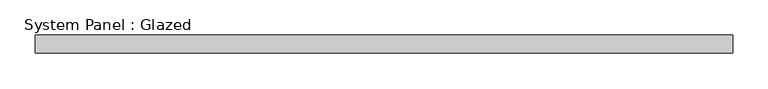
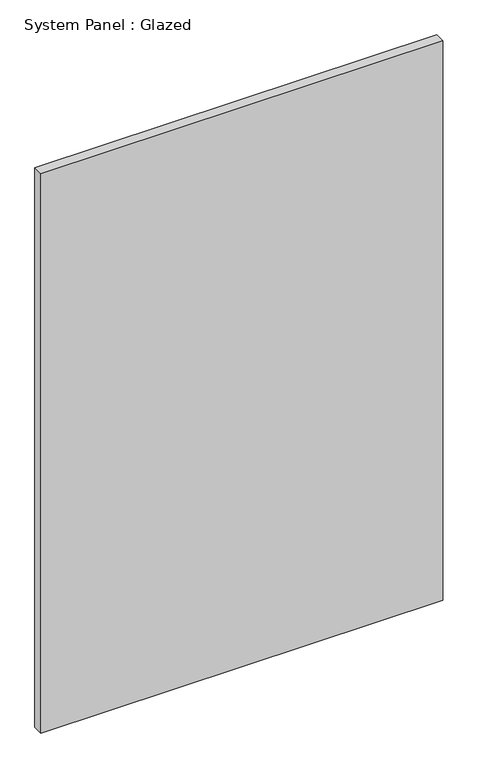
"""IFC4 building model written with IfcOpenShell, lengths in millimetres: plate geometry, System Panel : Glazed."""

import ifcopenshell
import ifcopenshell.guid

model = None  # the IFC model being written
_history = None  # IfcOwnerHistory: only IFC2X3 demands one
_inside = {}  # id of a spatial element -> (the spatial element, [elements in it])
_under = {}  # id of a project, library or spatial element -> (it, [spatial elements below it])
_declared = {}  # id of a project -> (the project, [libraries it declares])
_typed = {}  # id of a type object -> (the type object, [elements of that type])
_made_of = {}  # id of a material, layer set ... -> (it, [elements and type objects made of it])


def new_model(schema):
    """Start an empty IFC model of exactly this schema.

    Asked for "IFC4X3", IfcOpenShell would pick the latest addendum, in which some entities
    have other attributes; the version numbers below select the first issue.
    IFC2X3 requires an IfcOwnerHistory on every rooted entity: one is made here for all.
    """
    global model, _history
    if schema == "IFC4X3":
        model = ifcopenshell.file(schema_version=(4, 3, 0, 0))
    else:
        model = ifcopenshell.file(schema=schema)
    _inside.clear()
    _under.clear()
    _declared.clear()
    _typed.clear()
    _made_of.clear()
    _history = None
    if model.schema == "IFC2X3":
        org = make("IfcOrganization", Name="unknown")
        user = make(
            "IfcPersonAndOrganization",
            ThePerson=make("IfcPerson", FamilyName="unknown"),
            TheOrganization=org,
        )
        app = make(
            "IfcApplication",
            ApplicationDeveloper=org,
            Version="unknown",
            ApplicationFullName="unknown",
            ApplicationIdentifier="unknown",
        )
        _history = make(
            "IfcOwnerHistory",
            OwningUser=user,
            OwningApplication=app,
            ChangeAction="ADDED",
            CreationDate=0,
        )
    return model


def make(cls, **values):
    """One entity of the class cls with the attributes given. An attribute that is None is left unset."""
    return model.create_entity(
        cls, **{name: value for name, value in values.items() if value is not None}
    )


def rooted(cls, **values):
    """An entity with a GlobalId (a new one), such as an element, a storey or a relation."""
    return make(cls, GlobalId=ifcopenshell.guid.new(), OwnerHistory=_history, **values)


def si_unit(unit_type, name, prefix=None):
    """IfcSIUnit, for example si_unit("LENGTHUNIT", "METRE", prefix="MILLI")."""
    return make("IfcSIUnit", UnitType=unit_type, Prefix=prefix, Name=name)


def assignment(units):
    """IfcUnitAssignment: the units of a project."""
    return None if units is None else make("IfcUnitAssignment", Units=units)


def point(xyz):
    """IfcCartesianPoint."""
    return None if xyz is None else make("IfcCartesianPoint", Coordinates=xyz)


def direction(xyz):
    """IfcDirection."""
    return None if xyz is None else make("IfcDirection", DirectionRatios=xyz)


def frame(location, z_axis=None, x_axis=None):
    """IfcAxis2Placement3D, a coordinate frame: its origin and axes. An axis left out is left unset."""
    return make(
        "IfcAxis2Placement3D",
        Location=point(location),
        Axis=direction(z_axis),
        RefDirection=direction(x_axis),
    )


def origin():
    """The frame at (0, 0, 0) with its axes left unset."""
    return frame((0.0, 0.0, 0.0))


def origin_with_axes():
    """The frame at (0, 0, 0) with the z axis (0, 0, 1) and the x axis (1, 0, 0) written out."""
    return frame((0.0, 0.0, 0.0), z_axis=(0.0, 0.0, 1.0), x_axis=(1.0, 0.0, 0.0))


def place(relative_to, where):
    """IfcLocalPlacement: puts the frame where relative to a parent placement (None: the world)."""
    return make(
        "IfcLocalPlacement", PlacementRelTo=relative_to, RelativePlacement=where
    )


def context(
    kind, dimensions, precision=None, world=None, true_north=None, identifier=None
):
    """IfcGeometricRepresentationContext, for example the 3D "Model" context."""
    return make(
        "IfcGeometricRepresentationContext",
        ContextIdentifier=identifier,
        ContextType=kind,
        CoordinateSpaceDimension=dimensions,
        Precision=precision,
        WorldCoordinateSystem=world,
        TrueNorth=true_north,
    )


def project(units=None, contexts=None):
    """IfcProject with its units and contexts."""
    return rooted(
        "IfcProject",
        Name="project",
        RepresentationContexts=contexts,
        UnitsInContext=assignment(units),
    )


def spatial(cls, under=None, at=None, **own):
    """A site, building, storey or space (cls), placed at a placement, below another one or the project."""
    s = rooted(cls, ObjectPlacement=at, **own)
    if under is not None:
        _under.setdefault(under.id(), (under, []))[1].append(s)
    return s


def polyline(points):
    """IfcPolyline through the points."""
    return make("IfcPolyline", Points=[point(p) for p in points])


def outline(outer, holes=None, kind="AREA"):
    """IfcArbitraryClosedProfileDef: a profile drawn as a closed curve; with holes, ...WithVoids."""
    if holes is None:
        return make("IfcArbitraryClosedProfileDef", ProfileType=kind, OuterCurve=outer)
    return make(
        "IfcArbitraryProfileDefWithVoids",
        ProfileType=kind,
        OuterCurve=outer,
        InnerCurves=holes,
    )


def extrude(swept, where, along, depth):
    """IfcExtrudedAreaSolid: the profile swept, set in the frame where, extruded along a direction by depth."""
    return make(
        "IfcExtrudedAreaSolid",
        SweptArea=swept,
        Position=where,
        ExtrudedDirection=direction(along),
        Depth=depth,
    )


def shape(context_of_items, identifier, shape_type, items):
    """IfcShapeRepresentation: the items that make up one representation, for example the "Body"."""
    return make(
        "IfcShapeRepresentation",
        ContextOfItems=context_of_items,
        RepresentationIdentifier=identifier,
        RepresentationType=shape_type,
        Items=items,
    )


def source(mapping_origin, context_of_items, identifier, shape_type, items):
    """IfcRepresentationMap: a shape defined once, which mapped items show again and again."""
    return make(
        "IfcRepresentationMap",
        MappingOrigin=mapping_origin,
        MappedRepresentation=shape(context_of_items, identifier, shape_type, items),
    )


def transform(
    local_origin,
    x_axis=None,
    y_axis=None,
    z_axis=None,
    scale=None,
    scale2=None,
    scale3=None,
    uniform=True,
):
    """IfcCartesianTransformationOperator3D, or its non-uniform kind. x_axis, y_axis, z_axis: its Axis1, 2, 3."""
    if uniform:
        return make(
            "IfcCartesianTransformationOperator3D",
            Axis1=direction(x_axis),
            Axis2=direction(y_axis),
            LocalOrigin=point(local_origin),
            Scale=scale,
            Axis3=direction(z_axis),
        )
    return make(
        "IfcCartesianTransformationOperator3DnonUniform",
        Axis1=direction(x_axis),
        Axis2=direction(y_axis),
        LocalOrigin=point(local_origin),
        Scale=scale,
        Axis3=direction(z_axis),
        Scale2=scale2,
        Scale3=scale3,
    )


def mapped(mapping_source, mapping_target):
    """IfcMappedItem: shows the shape of a source again, moved by a transform."""
    return make(
        "IfcMappedItem", MappingSource=mapping_source, MappingTarget=mapping_target
    )


def made_of(thing, what):
    """Note that an element or type object is made of a material, layer set ...; save() writes the relation."""
    if what is not None:
        _made_of.setdefault(what.id(), (what, []))[1].append(thing)
    return thing


def element(
    cls,
    number,
    at=None,
    inside=None,
    cuts=None,
    type_object=None,
    material=None,
    context=None,
    identifier="Body",
    shape_type=None,
    held_by="IfcProductDefinitionShape",
    body=None,
    shapes=None,
    **own,
):
    """One element of the class cls, such as IfcWall. Its Tag is "e" and its number.

    at: its placement. inside: the storey or other place that contains it. cuts: it is an
    opening in that element (IfcRelVoidsElement). A single representation is given by context,
    identifier, shape_type and body (its items); several are given by shapes. held_by: the class
    of the entity that holds the representations. save() writes the other relations.
    """
    e = rooted(cls, Tag="e%d" % number, ObjectPlacement=at, **own)
    if body is not None:
        shapes = [shape(context, identifier, shape_type, body)]
    if shapes is not None:
        e.Representation = make(held_by, Representations=shapes)
    if inside is not None:
        _inside.setdefault(inside.id(), (inside, []))[1].append(e)
    if cuts is not None:
        rooted(
            "IfcRelVoidsElement", RelatingBuildingElement=cuts, RelatedOpeningElement=e
        )
    if type_object is not None:
        _typed.setdefault(type_object.id(), (type_object, []))[1].append(e)
    return made_of(e, material)


def aggregate(whole, parts):
    """IfcRelAggregates: a whole, such as a stair, and the parts it consists of."""
    return rooted("IfcRelAggregates", RelatingObject=whole, RelatedObjects=parts)


def save(model, path):
    """Write the relations noted so far, then the file.

    IfcRelAggregates (storeys below a building ...), IfcRelContainedInSpatialStructure (elements
    in a storey), IfcRelDefinesByType, IfcRelAssociatesMaterial and IfcRelDeclares: one each for
    every whole, place, type object, material and project.
    """
    for whole, parts in _under.values():
        aggregate(whole, parts)
    for where, things in _inside.values():
        rooted(
            "IfcRelContainedInSpatialStructure",
            RelatedElements=things,
            RelatingStructure=where,
        )
    for kind, things in _typed.values():
        rooted("IfcRelDefinesByType", RelatedObjects=things, RelatingType=kind)
    for what, things in _made_of.values():
        rooted("IfcRelAssociatesMaterial", RelatedObjects=things, RelatingMaterial=what)
    for by, libraries in _declared.values():
        rooted("IfcRelDeclares", RelatingContext=by, RelatedDefinitions=libraries)
    model.write(path)


def system_panel_glazed_a93d5ac8(model_context):
    return source(origin(), model_context, "Body", "SweptSolid", [
        extrude(outline(polyline([(492.125, 19.05), (-492.125, 19.05), (-492.125, 44.45), (492.125, 44.45), (492.125, 19.05)])), origin_with_axes(), (0.0, 0.0, 1.0), 1447.8),
    ])


if __name__ == "__main__":
    model = new_model("IFC4")
    model_context = context("Model", 3, world=origin())
    ifc_project = project(units=[si_unit("LENGTHUNIT", "METRE", prefix="MILLI")], contexts=[model_context])
    site = spatial("IfcSite", under=ifc_project)
    building = spatial("IfcBuilding", under=site)
    placement = place(None, origin())
    system_panel_glazed_shape = system_panel_glazed_a93d5ac8(model_context)
    element("IfcPlate", 1, ObjectType="System Panel : Glazed", at=placement, inside=building, context=model_context, shape_type="MappedRepresentation", body=[
        mapped(system_panel_glazed_shape, transform((0.0, 0.0, 0.0), x_axis=(1.0, 0.0, 0.0), y_axis=(0.0, 1.0, 0.0), z_axis=(0.0, 0.0, 1.0))),
    ])
    save(model, "model.ifc")
